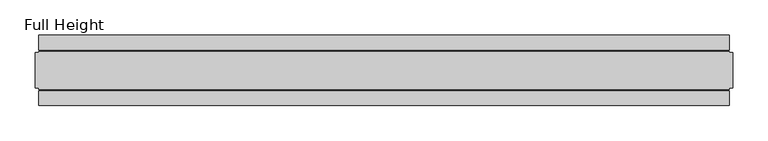
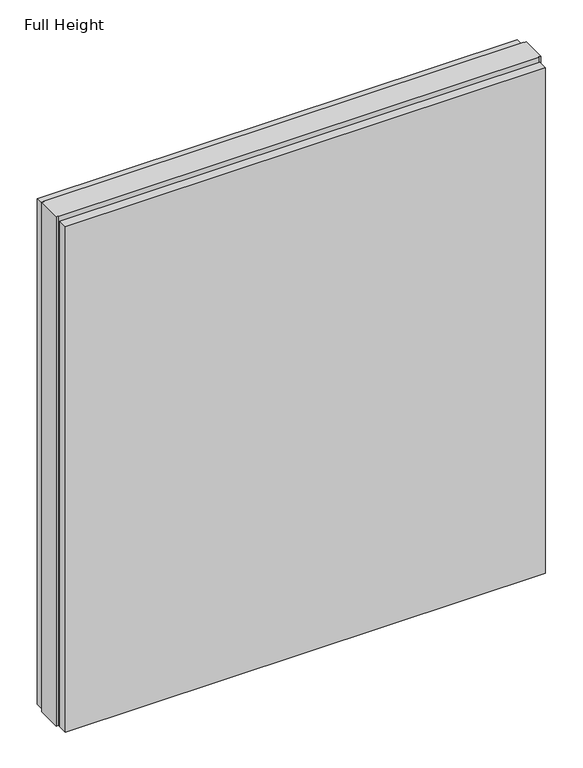
"""IFC4 building model written with IfcOpenShell, lengths in millimetres: plate geometry, Full Height."""

from ifc_helpers import new_model, si_unit, origin, origin_with_axes, place, context, project, spatial, polyline, outline, extrude, source, transform, mapped, element, save


def full_height_2a1b4887(model_context):
    return source(origin(), model_context, "Body", "SweptSolid", [
        extrude(outline(polyline([(486.4946667, 28.956), (-486.4946667, 28.956), (-486.4946667, 49.53), (486.4946667, 49.53), (486.4946667, 28.956)])), origin_with_axes(), (0.0, 0.0, 1.0), 1083.056),
        extrude(outline(polyline([(486.4946667, -28.956), (486.4946667, -49.53), (-486.4946667, -49.53), (-486.4946667, -28.956), (486.4946667, -28.956)])), origin_with_axes(), (0.0, 0.0, 1.0), 1083.056),
        extrude(outline(polyline([(486.4946667, -25.146), (486.4946667, -26.67), (-486.4946667, -26.67), (-486.4946667, -25.146), (-491.0666667, -25.146), (-491.0666667, 25.146), (-486.4946667, 25.146), (-486.4946667, 26.67), (486.4946667, 26.67), (486.4946667, 25.146), (491.0666667, 25.146), (491.0666667, -25.146), (486.4946667, -25.146)])), origin_with_axes(), (0.0, 0.0, 1.0), 1092.2),
    ])


if __name__ == "__main__":
    model = new_model("IFC4")
    model_context = context("Model", 3, world=origin())
    ifc_project = project(units=[si_unit("LENGTHUNIT", "METRE", prefix="MILLI")], contexts=[model_context])
    site = spatial("IfcSite", under=ifc_project)
    building = spatial("IfcBuilding", under=site)
    placement = place(None, origin())
    full_height_shape = full_height_2a1b4887(model_context)
    element("IfcPlate", 1, ObjectType="Full Height", at=placement, inside=building, context=model_context, shape_type="MappedRepresentation", body=[
        mapped(full_height_shape, transform((0.0, 0.0, 0.0), x_axis=(1.0, 0.0, 0.0), y_axis=(0.0, 1.0, 0.0), z_axis=(0.0, 0.0, 1.0))),
    ])
    save(model, "model.ifc")
